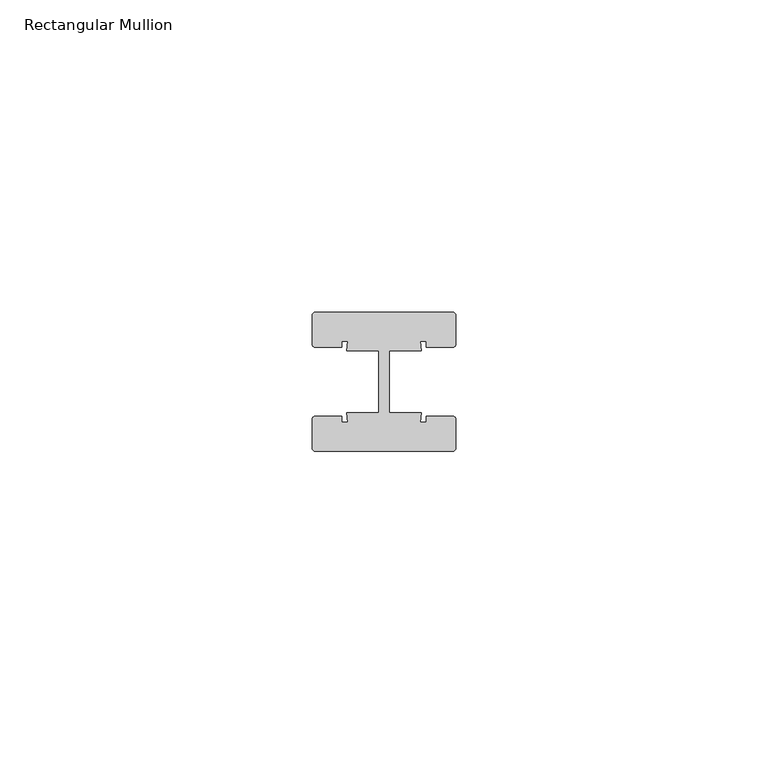
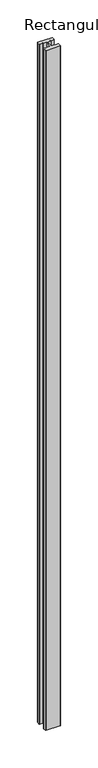
"""IFC4 building model written with IfcOpenShell, lengths in millimetres: member geometry, Rectangular Mullion."""

from ifc_helpers import new_model, si_unit, point, frame, frame_2d, origin, place, context, project, spatial, polyline, circle_curve, trimmed, segment, composite_curve, outline, extrude, source, transform, mapped, element, save


def rectangular_mullion_f3bfab8c(model_context):
    return source(origin(), model_context, "Body", "SweptSolid", [
        extrude(outline(composite_curve([segment(trimmed(circle_curve(frame_2d((-11.0, 10.64)), 0.5), [point((-11.5, 10.64))], [point((-11.0, 11.14))], False, "CARTESIAN"), True, "CONTINUOUS"), segment(polyline([(-11.0, 11.14), (11.0, 11.14)]), True, "CONTINUOUS"), segment(trimmed(circle_curve(frame_2d((11.0, 10.64)), 0.5), [point((11.0, 11.14))], [point((11.5, 10.64))], False, "CARTESIAN"), True, "CONTINUOUS"), segment(polyline([(11.5, 10.64), (11.5, 6.0)]), True, "CONTINUOUS"), segment(trimmed(circle_curve(frame_2d((11.0, 6.0)), 0.5), [point((11.5, 6.0))], [point((11.0, 5.5))], False, "CARTESIAN"), True, "CONTINUOUS"), segment(polyline([(11.0, 5.5), (6.75, 5.5), (6.75, 6.5), (5.7984177, 6.5), (6.0, 5.0), (0.840625, 5.0), (0.840625, -5.0), (6.0, -5.0), (5.7984177, -6.5), (6.75, -6.5), (6.75, -5.5), (11.0, -5.5)]), True, "CONTINUOUS"), segment(trimmed(circle_curve(frame_2d((11.0, -6.0)), 0.5), [point((11.0, -5.5))], [point((11.5, -6.0))], False, "CARTESIAN"), True, "CONTINUOUS"), segment(polyline([(11.5, -6.0), (11.5, -10.64)]), True, "CONTINUOUS"), segment(trimmed(circle_curve(frame_2d((11.0, -10.64)), 0.5), [point((11.5, -10.64))], [point((11.0, -11.14))], False, "CARTESIAN"), True, "CONTINUOUS"), segment(polyline([(11.0, -11.14), (-11.0, -11.14)]), True, "CONTINUOUS"), segment(trimmed(circle_curve(frame_2d((-11.0, -10.64)), 0.5), [point((-11.0, -11.14))], [point((-11.5, -10.64))], False, "CARTESIAN"), True, "CONTINUOUS"), segment(polyline([(-11.5, -10.64), (-11.5, -6.0)]), True, "CONTINUOUS"), segment(trimmed(circle_curve(frame_2d((-11.0, -6.0)), 0.5), [point((-11.5, -6.0))], [point((-11.0, -5.5))], False, "CARTESIAN"), True, "CONTINUOUS"), segment(polyline([(-11.0, -5.5), (-6.75, -5.5), (-6.75, -6.5), (-5.7984177, -6.5), (-6.0, -5.0), (-0.840625, -5.0), (-0.840625, 5.0), (-6.0, 5.0), (-5.7984177, 6.5), (-6.75, 6.5), (-6.75, 5.5), (-11.0, 5.5)]), True, "CONTINUOUS"), segment(trimmed(circle_curve(frame_2d((-11.0, 6.0)), 0.5), [point((-11.0, 5.5))], [point((-11.5, 6.0))], False, "CARTESIAN"), True, "CONTINUOUS"), segment(polyline([(-11.5, 6.0), (-11.5, 10.64)]), True, "CONTINUOUS")], self_intersect=False)), frame((0.0, 0.0, -1108.2756252), z_axis=(0.0, 0.0, 1.0), x_axis=(1.0, 0.0, 0.0)), (0.0, 0.0, 1.0), 1108.2756252),
    ])


if __name__ == "__main__":
    model = new_model("IFC4")
    model_context = context("Model", 3, world=origin())
    ifc_project = project(units=[si_unit("LENGTHUNIT", "METRE", prefix="MILLI")], contexts=[model_context])
    site = spatial("IfcSite", under=ifc_project)
    building = spatial("IfcBuilding", under=site)
    placement = place(None, origin())
    rectangular_mullion_shape = rectangular_mullion_f3bfab8c(model_context)
    element("IfcMember", 1, ObjectType="Rectangular Mullion", at=placement, inside=building, context=model_context, shape_type="MappedRepresentation", body=[
        mapped(rectangular_mullion_shape, transform((0.0, 0.0, 0.0), x_axis=(1.0, 0.0, 0.0), y_axis=(0.0, 1.0, 0.0), z_axis=(0.0, 0.0, 1.0))),
    ])
    save(model, "model.ifc")
